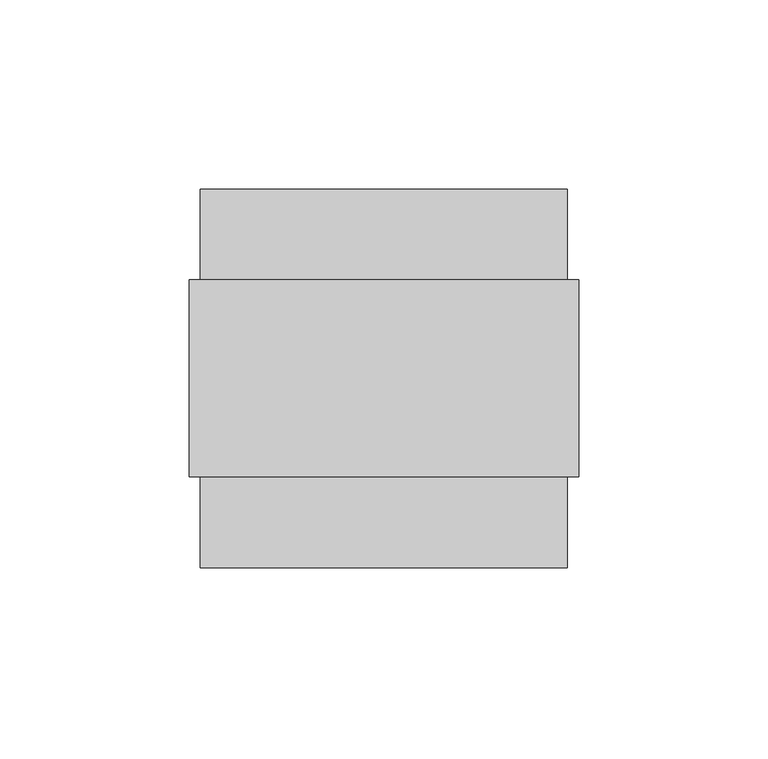
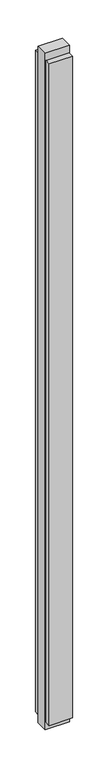
"""IFC4 building model written with IfcOpenShell, lengths in millimetres: furniture geometry."""

from ifc_helpers import new_model, si_unit, frame, origin, origin_with_axes, place, context, project, spatial, polyline, outline, extrude, source, transform, mapped, element, save


def furniture_f649a7ab(model_context):
    return source(origin(), model_context, "Body", "SweptSolid", [
        extrude(outline(polyline([(-176.1915113, -25.9969), (-176.1915113, 25.9969), (-73.1691113, 25.9969), (-73.1691113, -25.9969), (-176.1915113, -25.9969)])), origin_with_axes(), (0.0, 0.0, 1.0), 2997.2),
        extrude(outline(polyline([(-173.1943113, 50.0126), (-76.1790113, 50.0126), (-76.1790113, 25.9969), (-173.1943113, 25.9969), (-173.1943113, 50.0126)])), frame((0.0, 0.0, 32.004), z_axis=(0.0, 0.0, 1.0), x_axis=(1.0, 0.0, 0.0)), (0.0, 0.0, 1.0), 2933.192),
        extrude(outline(polyline([(-76.1790113, -50.0126), (-173.1943113, -50.0126), (-173.1943113, -25.9969), (-76.1790113, -25.9969), (-76.1790113, -50.0126)])), frame((0.0, 0.0, 32.004), z_axis=(0.0, 0.0, 1.0), x_axis=(1.0, 0.0, 0.0)), (0.0, 0.0, 1.0), 2933.192),
    ])


if __name__ == "__main__":
    model = new_model("IFC4")
    model_context = context("Model", 3, world=origin())
    ifc_project = project(units=[si_unit("LENGTHUNIT", "METRE", prefix="MILLI")], contexts=[model_context])
    site = spatial("IfcSite", under=ifc_project)
    building = spatial("IfcBuilding", under=site)
    placement = place(None, origin())
    furniture_shape = furniture_f649a7ab(model_context)
    element("IfcFurniture", 1, at=placement, inside=building, context=model_context, shape_type="MappedRepresentation", body=[
        mapped(furniture_shape, transform((0.0, 0.0, 0.0), x_axis=(1.0, 0.0, 0.0), y_axis=(0.0, 1.0, 0.0), z_axis=(0.0, 0.0, 1.0))),
    ])
    save(model, "model.ifc")
